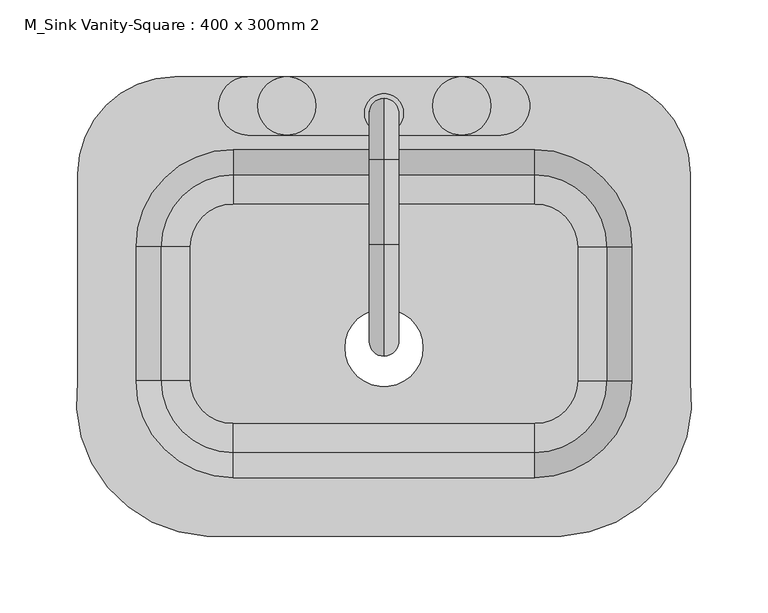
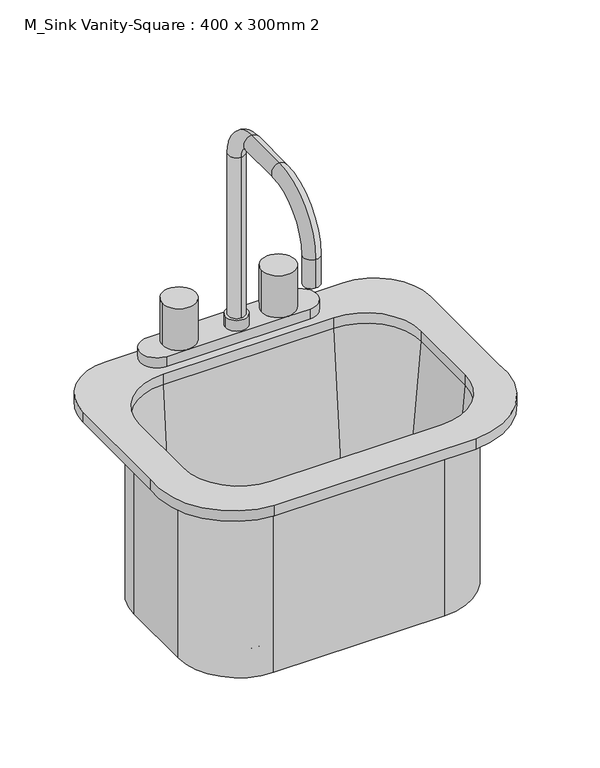
"""IFC4 building model written with IfcOpenShell, lengths in millimetres: flow terminal geometry, M_Sink Vanity-Square : 400 x 300mm 2."""

import ifcopenshell
import ifcopenshell.guid

model = None  # the IFC model being written
_history = None  # IfcOwnerHistory: only IFC2X3 demands one
_inside = {}  # id of a spatial element -> (the spatial element, [elements in it])
_under = {}  # id of a project, library or spatial element -> (it, [spatial elements below it])
_declared = {}  # id of a project -> (the project, [libraries it declares])
_typed = {}  # id of a type object -> (the type object, [elements of that type])
_made_of = {}  # id of a material, layer set ... -> (it, [elements and type objects made of it])


def new_model(schema):
    """Start an empty IFC model of exactly this schema.

    Asked for "IFC4X3", IfcOpenShell would pick the latest addendum, in which some entities
    have other attributes; the version numbers below select the first issue.
    IFC2X3 requires an IfcOwnerHistory on every rooted entity: one is made here for all.
    """
    global model, _history
    if schema == "IFC4X3":
        model = ifcopenshell.file(schema_version=(4, 3, 0, 0))
    else:
        model = ifcopenshell.file(schema=schema)
    _inside.clear()
    _under.clear()
    _declared.clear()
    _typed.clear()
    _made_of.clear()
    _history = None
    if model.schema == "IFC2X3":
        org = make("IfcOrganization", Name="unknown")
        user = make(
            "IfcPersonAndOrganization",
            ThePerson=make("IfcPerson", FamilyName="unknown"),
            TheOrganization=org,
        )
        app = make(
            "IfcApplication",
            ApplicationDeveloper=org,
            Version="unknown",
            ApplicationFullName="unknown",
            ApplicationIdentifier="unknown",
        )
        _history = make(
            "IfcOwnerHistory",
            OwningUser=user,
            OwningApplication=app,
            ChangeAction="ADDED",
            CreationDate=0,
        )
    return model


def make(cls, **values):
    """One entity of the class cls with the attributes given. An attribute that is None is left unset."""
    return model.create_entity(
        cls, **{name: value for name, value in values.items() if value is not None}
    )


def rooted(cls, **values):
    """An entity with a GlobalId (a new one), such as an element, a storey or a relation."""
    return make(cls, GlobalId=ifcopenshell.guid.new(), OwnerHistory=_history, **values)


def si_unit(unit_type, name, prefix=None):
    """IfcSIUnit, for example si_unit("LENGTHUNIT", "METRE", prefix="MILLI")."""
    return make("IfcSIUnit", UnitType=unit_type, Prefix=prefix, Name=name)


def assignment(units):
    """IfcUnitAssignment: the units of a project."""
    return None if units is None else make("IfcUnitAssignment", Units=units)


def point(xyz):
    """IfcCartesianPoint."""
    return None if xyz is None else make("IfcCartesianPoint", Coordinates=xyz)


def direction(xyz):
    """IfcDirection."""
    return None if xyz is None else make("IfcDirection", DirectionRatios=xyz)


def frame(location, z_axis=None, x_axis=None):
    """IfcAxis2Placement3D, a coordinate frame: its origin and axes. An axis left out is left unset."""
    return make(
        "IfcAxis2Placement3D",
        Location=point(location),
        Axis=direction(z_axis),
        RefDirection=direction(x_axis),
    )


def origin():
    """The frame at (0, 0, 0) with its axes left unset."""
    return frame((0.0, 0.0, 0.0))


def place(relative_to, where):
    """IfcLocalPlacement: puts the frame where relative to a parent placement (None: the world)."""
    return make(
        "IfcLocalPlacement", PlacementRelTo=relative_to, RelativePlacement=where
    )


def context(
    kind, dimensions, precision=None, world=None, true_north=None, identifier=None
):
    """IfcGeometricRepresentationContext, for example the 3D "Model" context."""
    return make(
        "IfcGeometricRepresentationContext",
        ContextIdentifier=identifier,
        ContextType=kind,
        CoordinateSpaceDimension=dimensions,
        Precision=precision,
        WorldCoordinateSystem=world,
        TrueNorth=true_north,
    )


def project(units=None, contexts=None):
    """IfcProject with its units and contexts."""
    return rooted(
        "IfcProject",
        Name="project",
        RepresentationContexts=contexts,
        UnitsInContext=assignment(units),
    )


def spatial(cls, under=None, at=None, **own):
    """A site, building, storey or space (cls), placed at a placement, below another one or the project."""
    s = rooted(cls, ObjectPlacement=at, **own)
    if under is not None:
        _under.setdefault(under.id(), (under, []))[1].append(s)
    return s


def polyline(points):
    """IfcPolyline through the points."""
    return make("IfcPolyline", Points=[point(p) for p in points])


def circle_curve(where, radius):
    """IfcCircle in the frame where."""
    return make("IfcCircle", Position=where, Radius=radius)


def ellipse_curve(where, semi_axis1, semi_axis2):
    """IfcEllipse in the frame where."""
    return make(
        "IfcEllipse", Position=where, SemiAxis1=semi_axis1, SemiAxis2=semi_axis2
    )


def trimmed(basis, trim1, trim2, sense, master):
    """IfcTrimmedCurve: the piece of a basis curve between two trims."""
    return make(
        "IfcTrimmedCurve",
        BasisCurve=basis,
        Trim1=trim1,
        Trim2=trim2,
        SenseAgreement=sense,
        MasterRepresentation=master,
    )


def shape(context_of_items, identifier, shape_type, items):
    """IfcShapeRepresentation: the items that make up one representation, for example the "Body"."""
    return make(
        "IfcShapeRepresentation",
        ContextOfItems=context_of_items,
        RepresentationIdentifier=identifier,
        RepresentationType=shape_type,
        Items=items,
    )


def source(mapping_origin, context_of_items, identifier, shape_type, items):
    """IfcRepresentationMap: a shape defined once, which mapped items show again and again."""
    return make(
        "IfcRepresentationMap",
        MappingOrigin=mapping_origin,
        MappedRepresentation=shape(context_of_items, identifier, shape_type, items),
    )


def transform(
    local_origin,
    x_axis=None,
    y_axis=None,
    z_axis=None,
    scale=None,
    scale2=None,
    scale3=None,
    uniform=True,
):
    """IfcCartesianTransformationOperator3D, or its non-uniform kind. x_axis, y_axis, z_axis: its Axis1, 2, 3."""
    if uniform:
        return make(
            "IfcCartesianTransformationOperator3D",
            Axis1=direction(x_axis),
            Axis2=direction(y_axis),
            LocalOrigin=point(local_origin),
            Scale=scale,
            Axis3=direction(z_axis),
        )
    return make(
        "IfcCartesianTransformationOperator3DnonUniform",
        Axis1=direction(x_axis),
        Axis2=direction(y_axis),
        LocalOrigin=point(local_origin),
        Scale=scale,
        Axis3=direction(z_axis),
        Scale2=scale2,
        Scale3=scale3,
    )


def mapped(mapping_source, mapping_target):
    """IfcMappedItem: shows the shape of a source again, moved by a transform."""
    return make(
        "IfcMappedItem", MappingSource=mapping_source, MappingTarget=mapping_target
    )


def made_of(thing, what):
    """Note that an element or type object is made of a material, layer set ...; save() writes the relation."""
    if what is not None:
        _made_of.setdefault(what.id(), (what, []))[1].append(thing)
    return thing


def element(
    cls,
    number,
    at=None,
    inside=None,
    cuts=None,
    type_object=None,
    material=None,
    context=None,
    identifier="Body",
    shape_type=None,
    held_by="IfcProductDefinitionShape",
    body=None,
    shapes=None,
    **own,
):
    """One element of the class cls, such as IfcWall. Its Tag is "e" and its number.

    at: its placement. inside: the storey or other place that contains it. cuts: it is an
    opening in that element (IfcRelVoidsElement). A single representation is given by context,
    identifier, shape_type and body (its items); several are given by shapes. held_by: the class
    of the entity that holds the representations. save() writes the other relations.
    """
    e = rooted(cls, Tag="e%d" % number, ObjectPlacement=at, **own)
    if body is not None:
        shapes = [shape(context, identifier, shape_type, body)]
    if shapes is not None:
        e.Representation = make(held_by, Representations=shapes)
    if inside is not None:
        _inside.setdefault(inside.id(), (inside, []))[1].append(e)
    if cuts is not None:
        rooted(
            "IfcRelVoidsElement", RelatingBuildingElement=cuts, RelatedOpeningElement=e
        )
    if type_object is not None:
        _typed.setdefault(type_object.id(), (type_object, []))[1].append(e)
    return made_of(e, material)


def aggregate(whole, parts):
    """IfcRelAggregates: a whole, such as a stair, and the parts it consists of."""
    return rooted("IfcRelAggregates", RelatingObject=whole, RelatedObjects=parts)


def save(model, path):
    """Write the relations noted so far, then the file.

    IfcRelAggregates (storeys below a building ...), IfcRelContainedInSpatialStructure (elements
    in a storey), IfcRelDefinesByType, IfcRelAssociatesMaterial and IfcRelDeclares: one each for
    every whole, place, type object, material and project.
    """
    for whole, parts in _under.values():
        aggregate(whole, parts)
    for where, things in _inside.values():
        rooted(
            "IfcRelContainedInSpatialStructure",
            RelatedElements=things,
            RelatingStructure=where,
        )
    for kind, things in _typed.values():
        rooted("IfcRelDefinesByType", RelatedObjects=things, RelatingType=kind)
    for what, things in _made_of.values():
        rooted("IfcRelAssociatesMaterial", RelatedObjects=things, RelatingMaterial=what)
    for by, libraries in _declared.values():
        rooted("IfcRelDeclares", RelatingContext=by, RelatedDefinitions=libraries)
    model.write(path)


def plane_surface(at):
    """IfcPlane: the flat surface through the origin of the frame at, square to its z axis."""
    return make("IfcPlane", Position=at)


def cylinder_surface(at, radius):
    """IfcCylindricalSurface: all points at the distance radius from the z axis of the frame at."""
    return make("IfcCylindricalSurface", Position=at, Radius=radius)


def revolved_surface(curve, axis_point, axis_direction):
    """IfcSurfaceOfRevolution: the curve turned about the line through axis_point along axis_direction."""
    return make(
        "IfcSurfaceOfRevolution",
        SweptCurve=make("IfcArbitraryOpenProfileDef", ProfileType="CURVE", Curve=curve),
        AxisPosition=make("IfcAxis1Placement", Location=point(axis_point), Axis=direction(axis_direction)),
    )


def advanced_brep(points, edges, surfaces, faces):
    """IfcAdvancedBrep: a solid bounded by faces that lie on surfaces and meet in shared edges.

    An edge is (start, end): straight between two places in points (the first is 0);
    or (start, end, curve); or (start, end, curve, False) where it runs against its curve.
    A face is (place in surfaces, loops), or (place, loops, False) where it looks against
    its surface's normal. A loop lists edges by number (the first is 1), with a minus sign
    where the edge is run from its end to its start. The first loop is the outer one.
    """
    corners = [point(p) for p in points]
    vertices = [make("IfcVertexPoint", VertexGeometry=c) for c in corners]
    made = []
    for start, end, *more in edges:
        made.append(
            make(
                "IfcEdgeCurve",
                EdgeStart=vertices[start],
                EdgeEnd=vertices[end],
                EdgeGeometry=more[0] if more else make("IfcPolyline", Points=[corners[start], corners[end]]),
                SameSense=more[1] if len(more) > 1 else True,
            )
        )
    hull = []
    for where, loops, *sense in faces:
        bounds = []
        for j, loop in enumerate(loops):
            ring = [make("IfcOrientedEdge", EdgeElement=made[abs(k) - 1], Orientation=k > 0) for k in loop]
            bounds.append(
                make(
                    "IfcFaceOuterBound" if j == 0 else "IfcFaceBound",
                    Bound=make("IfcEdgeLoop", EdgeList=ring),
                    Orientation=True,
                )
            )
        hull.append(make("IfcAdvancedFace", Bounds=bounds, FaceSurface=surfaces[where], SameSense=sense[0] if sense else True))
    return make("IfcAdvancedBrep", Outer=make("IfcClosedShell", CfsFaces=hull))


def m_sink_vanity_square_400_x_300mm_2_b52e3de2(model_context):
    return source(origin(), model_context, "Body", "AdvancedBrep", [
        advanced_brep(
        [(183.9392406, 69.0204011, 534.1), (114.0892406, 138.8704011, 534.1), (114.0892406, 138.8704011, 750.0), (183.9392406, 69.0204011, 750.0), (183.9392406, -18.2545989, 534.1), (114.0892406, -88.1045989, 534.1), (-82.7107594, -88.1045989, 534.1), (-152.5607594, -18.2545989, 534.1), (-152.5607594, 69.0204011, 534.1), (-82.7107594, 138.8704011, 534.1), (-9.7107594, 3.175, 534.1), (41.0892406, 3.175, 534.1), (142.0776588, 69.0204011, 543.625), (114.0892406, 97.0088193, 543.625), (-82.7107594, 97.0088193, 543.625), (-110.6991776, 69.0204011, 543.625), (-110.6991776, -18.2545989, 543.625), (-82.7107594, -46.2430171, 543.625), (114.0892406, -46.2430171, 543.625), (142.0776588, -18.2545989, 543.625), (-9.7107594, 3.175, 543.625), (41.0892406, 3.175, 543.625), (161.0551678, 69.0204011, 561.0146831), (114.0892406, 115.9863283, 561.0146831), (177.5892406, 69.0204011, 750.0), (114.0892406, 132.5204011, 750.0), (183.9392406, -18.2545989, 750.0), (161.0551678, -18.2545989, 561.0146831), (177.5892406, -18.2545989, 750.0), (114.0892406, -88.1045989, 750.0), (114.0892406, -65.2205261, 561.0146831), (114.0892406, -81.7545989, 750.0), (-82.7107594, -88.1045989, 750.0), (-82.7107594, -65.2205261, 561.0146831), (-82.7107594, -81.7545989, 750.0), (-152.5607594, -18.2545989, 750.0), (-129.6766866, -18.2545989, 561.0146831), (-146.2107594, -18.2545989, 750.0), (-152.5607594, 69.0204011, 750.0), (-129.6766866, 69.0204011, 561.0146831), (-146.2107594, 69.0204011, 750.0), (-82.7107594, 138.8704011, 750.0), (-82.7107594, 115.9863283, 561.0146831), (-82.7107594, 132.5204011, 750.0), (-99.9606923, -119.8545989, 762.7), (131.3391735, -119.8545989, 762.7), (215.6892406, -18.2545989, 762.7), (215.6892406, 116.6454011, 762.7), (152.1892406, 180.1454011, 762.7), (-120.8107593, 180.1454011, 762.7), (-184.3107593, 116.6454011, 762.7), (-184.3107593, -18.2545982, 762.7), (114.0892406, 132.5204011, 762.7), (177.5892406, 69.0204011, 762.7), (177.5892406, -18.2545989, 762.7), (114.0892406, -81.7545989, 762.7), (-82.7107594, -81.7545989, 762.7), (-146.2107594, -18.2545989, 762.7), (-146.2107594, 69.0204011, 762.7), (-82.7107594, 132.5204011, 762.7), (-99.9606923, -119.8545989, 750.0), (-184.3107593, -18.2545982, 750.0), (-184.3107593, 116.6454011, 750.0), (-120.8107593, 180.1454011, 750.0), (152.1892406, 180.1454011, 750.0), (215.6892406, 116.6454011, 750.0), (215.6892406, -18.2545989, 750.0), (131.3391735, -119.8545989, 750.0)],
        [
            (0, 1, circle_curve(frame((114.0892406, 69.0204011, 534.1), z_axis=(0.0, 0.0, 1.0), x_axis=(0.0, 1.0, 0.0)), 69.85)),
            (1, 2),
            (2, 3, circle_curve(frame((114.0892406, 69.0204011, 750.0), z_axis=(0.0, 0.0, -1.0), x_axis=(0.0, 1.0, 0.0)), 69.85)),
            (3, 0),
            (0, 4),
            (4, 5, circle_curve(frame((114.0892406, -18.2545989, 534.1), z_axis=(0.0, 0.0, -1.0), x_axis=(1.0, 0.0, 0.0)), 69.85)),
            (5, 6),
            (6, 7, circle_curve(frame((-82.7107594, -18.2545989, 534.1), z_axis=(0.0, 0.0, -1.0), x_axis=(0.0, -1.0, 0.0)), 69.85)),
            (7, 8),
            (8, 9, circle_curve(frame((-82.7107594, 69.0204011, 534.1), z_axis=(0.0, 0.0, -1.0), x_axis=(-1.0, 0.0, 0.0)), 69.85)),
            (9, 1),
            (10, 11, circle_curve(frame((15.6892406, 3.175, 534.1), z_axis=(0.0, 0.0, 1.0), x_axis=(1.0, 0.0, 0.0)), 25.4)),
            (11, 10, circle_curve(frame((15.6892406, 3.175, 534.1), z_axis=(0.0, 0.0, 1.0), x_axis=(1.0, 0.0, 0.0)), 25.4)),
            (12, 13, circle_curve(frame((114.0892406, 69.0204011, 543.625), z_axis=(0.0, 0.0, 1.0), x_axis=(0.0, 1.0, 0.0)), 27.9884182)),
            (13, 14),
            (14, 15, circle_curve(frame((-82.7107594, 69.0204011, 543.625), z_axis=(0.0, 0.0, 1.0), x_axis=(-1.0, 0.0, 0.0)), 27.9884182)),
            (15, 16),
            (16, 17, circle_curve(frame((-82.7107594, -18.2545989, 543.625), z_axis=(0.0, 0.0, 1.0), x_axis=(0.0, -1.0, 0.0)), 27.9884182)),
            (17, 18),
            (18, 19, circle_curve(frame((114.0892406, -18.2545989, 543.625), z_axis=(0.0, 0.0, 1.0), x_axis=(1.0, 0.0, 0.0)), 27.9884182)),
            (19, 12),
            (20, 21, circle_curve(frame((15.6892406, 3.175, 543.625), z_axis=(0.0, 0.0, -1.0), x_axis=(1.0, 0.0, 0.0)), 25.4)),
            (21, 20, circle_curve(frame((15.6892406, 3.175, 543.625), z_axis=(0.0, 0.0, -1.0), x_axis=(1.0, 0.0, 0.0)), 25.4)),
            (12, 22, circle_curve(frame((142.0776588, 69.0204011, 562.675), z_axis=(0.0, -1.0, 0.0), x_axis=(1.0, 0.0, 0.0)), 19.05)),
            (22, 23, circle_curve(frame((114.0892406, 69.0204011, 561.0146831), z_axis=(0.0, 0.0, 1.0), x_axis=(0.0, 1.0, 0.0)), 46.9659272)),
            (23, 13, circle_curve(frame((114.0892406, 97.0088193, 562.675), z_axis=(-1.0, 0.0, 0.0), x_axis=(0.0, 1.0, 0.0)), 19.05)),
            (22, 24),
            (24, 25, circle_curve(frame((114.0892406, 69.0204011, 750.0), z_axis=(0.0, 0.0, 1.0), x_axis=(0.0, 1.0, 0.0)), 63.5)),
            (25, 23),
            (3, 26),
            (26, 4),
            (19, 27, circle_curve(frame((142.0776588, -18.2545989, 562.675), z_axis=(0.0, -1.0, 0.0), x_axis=(1.0, 0.0, 0.0)), 19.05)),
            (27, 22),
            (27, 28),
            (28, 24),
            (26, 29, circle_curve(frame((114.0892406, -18.2545989, 750.0), z_axis=(0.0, 0.0, -1.0), x_axis=(1.0, 0.0, 0.0)), 69.85)),
            (29, 5),
            (18, 30, circle_curve(frame((114.0892406, -46.2430171, 562.675), z_axis=(-1.0, 0.0, 0.0), x_axis=(0.0, -1.0, 0.0)), 19.05)),
            (30, 27, circle_curve(frame((114.0892406, -18.2545989, 561.0146831), z_axis=(0.0, 0.0, 1.0), x_axis=(1.0, 0.0, 0.0)), 46.9659272)),
            (30, 31),
            (31, 28, circle_curve(frame((114.0892406, -18.2545989, 750.0), z_axis=(0.0, 0.0, 1.0), x_axis=(1.0, 0.0, 0.0)), 63.5)),
            (29, 32),
            (32, 6),
            (17, 33, circle_curve(frame((-82.7107594, -46.2430171, 562.675), z_axis=(-1.0, 0.0, 0.0), x_axis=(0.0, -1.0, 0.0)), 19.05)),
            (33, 30),
            (33, 34),
            (34, 31),
            (32, 35, circle_curve(frame((-82.7107594, -18.2545989, 750.0), z_axis=(0.0, 0.0, -1.0), x_axis=(0.0, -1.0, 0.0)), 69.85)),
            (35, 7),
            (16, 36, circle_curve(frame((-110.6991776, -18.2545989, 562.675), z_axis=(0.0, 1.0, 0.0), x_axis=(-1.0, 0.0, 0.0)), 19.05)),
            (36, 33, circle_curve(frame((-82.7107594, -18.2545989, 561.0146831), z_axis=(0.0, 0.0, 1.0), x_axis=(0.0, -1.0, 0.0)), 46.9659272)),
            (36, 37),
            (37, 34, circle_curve(frame((-82.7107594, -18.2545989, 750.0), z_axis=(0.0, 0.0, 1.0), x_axis=(0.0, -1.0, 0.0)), 63.5)),
            (35, 38),
            (38, 8),
            (15, 39, circle_curve(frame((-110.6991776, 69.0204011, 562.675), z_axis=(0.0, 1.0, 0.0), x_axis=(-1.0, 0.0, 0.0)), 19.05)),
            (39, 36),
            (39, 40),
            (40, 37),
            (38, 41, circle_curve(frame((-82.7107594, 69.0204011, 750.0), z_axis=(0.0, 0.0, -1.0), x_axis=(-1.0, 0.0, 0.0)), 69.85)),
            (41, 9),
            (14, 42, circle_curve(frame((-82.7107594, 97.0088193, 562.675), z_axis=(1.0, 0.0, 0.0), x_axis=(0.0, 1.0, 0.0)), 19.05)),
            (42, 39, circle_curve(frame((-82.7107594, 69.0204011, 561.0146831), z_axis=(0.0, 0.0, 1.0), x_axis=(-1.0, 0.0, 0.0)), 46.9659272)),
            (42, 43),
            (43, 40, circle_curve(frame((-82.7107594, 69.0204011, 750.0), z_axis=(0.0, 0.0, 1.0), x_axis=(-1.0, 0.0, 0.0)), 63.5)),
            (41, 2),
            (23, 42),
            (25, 43),
            (20, 10),
            (11, 21),
            (44, 45),
            (45, 46, circle_curve(frame((127.5319557, -30.8793432, 762.7), z_axis=(0.0, 0.0, 1.0), x_axis=(1.0, 0.0, 0.0)), 89.0566732)),
            (46, 47),
            (47, 48, circle_curve(frame((152.1892406, 116.6454011, 762.7), z_axis=(0.0, 0.0, 1.0), x_axis=(1.0, 0.0, 0.0)), 63.5)),
            (48, 49),
            (49, 50, circle_curve(frame((-120.8107593, 116.6454011, 762.7), z_axis=(0.0, 0.0, 1.0), x_axis=(1.0, 0.0, 0.0)), 63.5)),
            (50, 51),
            (51, 44, circle_curve(frame((-96.1534746, -30.8793432, 762.7), z_axis=(0.0, 0.0, 1.0), x_axis=(1.0, 0.0, 0.0)), 89.0566732)),
            (52, 53, circle_curve(frame((114.0892406, 69.0204011, 762.7), z_axis=(0.0, 0.0, -1.0), x_axis=(1.0, 0.0, 0.0)), 63.5)),
            (53, 54),
            (54, 55, circle_curve(frame((114.0892406, -18.2545989, 762.7), z_axis=(0.0, 0.0, -1.0), x_axis=(1.0, 0.0, 0.0)), 63.5)),
            (55, 56),
            (56, 57, circle_curve(frame((-82.7107594, -18.2545989, 762.7), z_axis=(0.0, 0.0, -1.0), x_axis=(1.0, 0.0, 0.0)), 63.5)),
            (57, 58),
            (58, 59, circle_curve(frame((-82.7107594, 69.0204011, 762.7), z_axis=(0.0, 0.0, -1.0), x_axis=(1.0, 0.0, 0.0)), 63.5)),
            (59, 52),
            (60, 61, circle_curve(frame((-96.1534746, -30.8793432, 750.0), z_axis=(0.0, 0.0, -1.0), x_axis=(1.0, 0.0, 0.0)), 89.0566732)),
            (61, 62),
            (62, 63, circle_curve(frame((-120.8107593, 116.6454011, 750.0), z_axis=(0.0, 0.0, -1.0), x_axis=(1.0, 0.0, 0.0)), 63.5)),
            (63, 64),
            (64, 65, circle_curve(frame((152.1892406, 116.6454011, 750.0), z_axis=(0.0, 0.0, -1.0), x_axis=(1.0, 0.0, 0.0)), 63.5)),
            (65, 66),
            (66, 67, circle_curve(frame((127.5319557, -30.8793432, 750.0), z_axis=(0.0, 0.0, -1.0), x_axis=(1.0, 0.0, 0.0)), 89.0566732)),
            (67, 60),
            (44, 60),
            (67, 45),
            (66, 46),
            (65, 47),
            (64, 48),
            (63, 49),
            (62, 50),
            (61, 51),
            (52, 25),
            (24, 53),
            (28, 54),
            (31, 55),
            (34, 56),
            (37, 57),
            (40, 58),
            (43, 59),
        ],
        [
            cylinder_surface(frame((114.0892406, 69.0204011, 0.0), z_axis=(0.0, 0.0, -1.0), x_axis=(0.0, 1.0, 0.0)), 69.85),
            plane_surface(frame((114.0892406, 69.0204011, 534.1), z_axis=(0.0, 0.0, -1.0), x_axis=(0.0, 1.0, 0.0))),
            plane_surface(frame((114.0892406, 69.0204011, 543.625), z_axis=(0.0, 0.0, 1.0), x_axis=(0.0, 1.0, 0.0))),
            revolved_surface(trimmed(ellipse_curve(frame((114.0892406, 97.0088193, 562.675), z_axis=(1.0, 0.0, 0.0), x_axis=(0.0, 1.0, 0.0)), 19.05, 19.05), [point((114.0892406, 97.0088193, 543.625))], [point((114.0892406, 115.9863283, 561.0146831))], True, "CARTESIAN"), (114.0892406, 69.0204011, 0.0), (0.0, 0.0, -1.0)),
            revolved_surface(polyline([(114.0892406, 115.9863283, 561.0146831), (114.0892406, 132.5204011, 750.0)]), (114.0892406, 69.0204011, 0.0), (0.0, 0.0, -1.0)),
            plane_surface(frame((183.9392406, 69.0204011, 750.0), z_axis=(1.0, 0.0, 0.0), x_axis=(0.0, -1.0, 0.0))),
            revolved_surface(polyline([(161.1276588, -18.254598900000005, 562.675), (161.1276588, 69.0204011, 562.675)]), (142.0776588, 69.0204011, 562.675), (0.0, -1.0, 0.0)),
            plane_surface(frame((161.0551678, 69.0204011, 561.0146831), z_axis=(-0.9961946980917442, 0.0, 0.0871557427476735), x_axis=(0.0, -1.0, 0.0))),
            cylinder_surface(frame((114.0892406, -18.2545989, 0.0), z_axis=(0.0, 0.0, -1.0), x_axis=(1.0, 0.0, 0.0)), 69.85),
            revolved_surface(trimmed(ellipse_curve(frame((142.0776588, -18.2545989, 562.675), z_axis=(0.0, -1.0, 0.0), x_axis=(1.0, 0.0, 0.0)), 19.05, 19.05), [point((142.0776588, -18.2545989, 543.625))], [point((161.0551678, -18.2545989, 561.0146831))], True, "CARTESIAN"), (114.0892406, -18.2545989, 0.0), (0.0, 0.0, -1.0)),
            revolved_surface(polyline([(161.0551678, -18.2545989, 561.0146831), (177.5892406, -18.2545989, 750.0)]), (114.0892406, -18.2545989, 0.0), (0.0, 0.0, -1.0)),
            plane_surface(frame((114.0892406, -88.1045989, 750.0), z_axis=(0.0, -1.0, 0.0), x_axis=(-1.0, 0.0, 0.0))),
            revolved_surface(polyline([(-82.71075940000001, -65.2930171, 562.675), (114.0892406, -65.2930171, 562.675)]), (114.0892406, -46.2430171, 562.675), (-1.0, 0.0, 0.0)),
            plane_surface(frame((114.0892406, -65.2205261, 561.0146831), z_axis=(0.0, 0.9961946980917442, 0.0871557427476735), x_axis=(-1.0, 0.0, 0.0))),
            cylinder_surface(frame((-82.7107594, -18.2545989, 0.0), z_axis=(0.0, 0.0, -1.0), x_axis=(0.0, -1.0, 0.0)), 69.85),
            revolved_surface(trimmed(ellipse_curve(frame((-82.7107594, -46.2430171, 562.675), z_axis=(-1.0, 0.0, 0.0), x_axis=(0.0, -1.0, 0.0)), 19.05, 19.05), [point((-82.7107594, -46.2430171, 543.625))], [point((-82.7107594, -65.2205261, 561.0146831))], True, "CARTESIAN"), (-82.7107594, -18.2545989, 0.0), (0.0, 0.0, -1.0)),
            revolved_surface(polyline([(-82.7107594, -65.2205261, 561.0146831), (-82.7107594, -81.7545989, 750.0)]), (-82.7107594, -18.2545989, 0.0), (0.0, 0.0, -1.0)),
            plane_surface(frame((-152.5607594, -18.2545989, 750.0), z_axis=(-1.0, 0.0, 0.0), x_axis=(0.0, 1.0, 0.0))),
            revolved_surface(polyline([(-129.7491776, 69.0204011, 562.675), (-129.7491776, -18.2545989, 562.675)]), (-110.6991776, -18.2545989, 562.675), (0.0, 1.0, 0.0)),
            plane_surface(frame((-129.6766866, -18.2545989, 561.0146831), z_axis=(0.9961946980917442, 0.0, 0.0871557427476735), x_axis=(0.0, 1.0, 0.0))),
            cylinder_surface(frame((-82.7107594, 69.0204011, 0.0), z_axis=(0.0, 0.0, -1.0), x_axis=(-1.0, 0.0, 0.0)), 69.85),
            revolved_surface(trimmed(ellipse_curve(frame((-110.6991776, 69.0204011, 562.675), z_axis=(0.0, 1.0, 0.0), x_axis=(-1.0, 0.0, 0.0)), 19.05, 19.05), [point((-110.6991776, 69.0204011, 543.625))], [point((-129.6766866, 69.0204011, 561.0146831))], True, "CARTESIAN"), (-82.7107594, 69.0204011, 0.0), (0.0, 0.0, -1.0)),
            revolved_surface(polyline([(-129.6766866, 69.0204011, 561.0146831), (-146.2107594, 69.0204011, 750.0)]), (-82.7107594, 69.0204011, 0.0), (0.0, 0.0, -1.0)),
            plane_surface(frame((-82.7107594, 138.8704011, 750.0), z_axis=(0.0, 1.0, 0.0), x_axis=(1.0, 0.0, 0.0))),
            revolved_surface(polyline([(114.08924060000001, 116.0588193, 562.675), (-82.7107594, 116.0588193, 562.675)]), (-82.7107594, 97.0088193, 562.675), (1.0, 0.0, 0.0)),
            plane_surface(frame((-82.7107594, 115.9863283, 561.0146831), z_axis=(0.0, -0.9961946980917442, 0.0871557427476735), x_axis=(1.0, 0.0, 0.0))),
            revolved_surface(polyline([(41.0892406, 3.175, 534.1), (41.0892406, 3.175, 543.625)]), (15.6892406, 3.175, 0.0), (0.0, 0.0, -1.0)),
            plane_surface(frame((131.3391735, -119.8545989, 762.7), z_axis=(0.0, 0.0, 1.0), x_axis=(1.0, 0.0, 0.0))),
            plane_surface(frame((131.3391735, -119.8545989, 750.0), z_axis=(0.0, 0.0, -1.0), x_axis=(-1.0, 0.0, 0.0))),
            plane_surface(frame((-99.9606923, -119.8545989, 762.7), z_axis=(0.0, -1.0, 0.0), x_axis=(0.0, 0.0, -1.0))),
            cylinder_surface(frame((127.5319557, -30.8793432, 750.0), z_axis=(0.0, 0.0, 1.0), x_axis=(1.0, 0.0, 0.0)), 89.0566732),
            plane_surface(frame((215.6892406, -18.2545989, 762.7), z_axis=(1.0, 0.0, 0.0), x_axis=(0.0, 0.0, -1.0))),
            cylinder_surface(frame((152.1892406, 116.6454011, 750.0), z_axis=(0.0, 0.0, 1.0), x_axis=(1.0, 0.0, 0.0)), 63.5),
            plane_surface(frame((152.1892406, 180.1454011, 762.7), z_axis=(0.0, 1.0, 0.0), x_axis=(0.0, 0.0, -1.0))),
            cylinder_surface(frame((-120.8107593, 116.6454011, 750.0), z_axis=(0.0, 0.0, 1.0), x_axis=(1.0, 0.0, 0.0)), 63.5),
            plane_surface(frame((-184.3107593, 116.6454011, 762.7), z_axis=(-1.0, 0.0, 0.0), x_axis=(0.0, 0.0, -1.0))),
            cylinder_surface(frame((-96.1534746, -30.8793432, 750.0), z_axis=(0.0, 0.0, 1.0), x_axis=(1.0, 0.0, 0.0)), 89.0566732),
            revolved_surface(polyline([(177.58924059999998, 69.0204011, 750.0), (177.58924059999998, 69.0204011, 762.7)]), (114.0892406, 69.0204011, 0.0), (0.0, 0.0, -1.0)),
            plane_surface(frame((177.5892406, 69.0204011, 762.7), z_axis=(-1.0, 0.0, 0.0), x_axis=(0.0, 0.0, -1.0))),
            revolved_surface(polyline([(177.58924059999998, -18.2545989, 750.0), (177.58924059999998, -18.2545989, 762.7)]), (114.0892406, -18.2545989, 0.0), (0.0, 0.0, -1.0)),
            plane_surface(frame((114.0892406, -81.7545989, 762.7), z_axis=(0.0, 1.0, 0.0), x_axis=(0.0, 0.0, -1.0))),
            revolved_surface(polyline([(-19.2107594, -18.2545989, 750.0), (-19.2107594, -18.2545989, 762.7)]), (-82.7107594, -18.2545989, 0.0), (0.0, 0.0, -1.0)),
            plane_surface(frame((-146.2107594, -18.2545989, 762.7), z_axis=(1.0, 0.0, 0.0), x_axis=(0.0, 0.0, -1.0))),
            revolved_surface(polyline([(-19.2107594, 69.0204011, 750.0), (-19.2107594, 69.0204011, 762.7)]), (-82.7107594, 69.0204011, 0.0), (0.0, 0.0, -1.0)),
            plane_surface(frame((-82.7107594, 132.5204011, 762.7), z_axis=(0.0, -1.0, 0.0), x_axis=(0.0, 0.0, -1.0))),
        ],
        [
            (0, [[1, 2, 3, 4]]),
            (1, [[-1, 5, 6, 7, 8, 9, 10, 11], [12, 13]]),
            (2, [[14, 15, 16, 17, 18, 19, 20, 21], [22, 23]]),
            (3, [[-14, 24, 25, 26]]),
            (4, [[-25, 27, 28, 29]]),
            (5, [[-4, 30, 31, -5]]),
            (6, [[-24, -21, 32, 33]]),
            (7, [[-27, -33, 34, 35]]),
            (8, [[-31, 36, 37, -6]]),
            (9, [[-32, -20, 38, 39]]),
            (10, [[-34, -39, 40, 41]]),
            (11, [[-37, 42, 43, -7]]),
            (12, [[-38, -19, 44, 45]]),
            (13, [[-40, -45, 46, 47]]),
            (14, [[-43, 48, 49, -8]]),
            (15, [[-44, -18, 50, 51]]),
            (16, [[-46, -51, 52, 53]]),
            (17, [[-49, 54, 55, -9]]),
            (18, [[-50, -17, 56, 57]]),
            (19, [[-52, -57, 58, 59]]),
            (20, [[-55, 60, 61, -10]]),
            (21, [[-56, -16, 62, 63]]),
            (22, [[-58, -63, 64, 65]]),
            (23, [[-2, -11, -61, 66]]),
            (24, [[-26, 67, -62, -15]]),
            (25, [[-29, 68, -64, -67]]),
            (26, [[-22, 69, -13, 70]]),
            (26, [[-23, -70, -12, -69]]),
            (27, [[71, 72, 73, 74, 75, 76, 77, 78], [79, 80, 81, 82, 83, 84, 85, 86]]),
            (28, [[87, 88, 89, 90, 91, 92, 93, 94], [-3, -66, -60, -54, -48, -42, -36, -30]]),
            (29, [[-71, 95, -94, 96]]),
            (30, [[-72, -96, -93, 97]]),
            (31, [[-73, -97, -92, 98]]),
            (32, [[-74, -98, -91, 99]]),
            (33, [[-75, -99, -90, 100]]),
            (34, [[-76, -100, -89, 101]]),
            (35, [[-77, -101, -88, 102]]),
            (36, [[-78, -102, -87, -95]]),
            (37, [[-79, 103, -28, 104]]),
            (38, [[-80, -104, -35, 105]]),
            (39, [[-81, -105, -41, 106]]),
            (40, [[-82, -106, -47, 107]]),
            (41, [[-83, -107, -53, 108]]),
            (42, [[-84, -108, -59, 109]]),
            (43, [[-85, -109, -65, 110]]),
            (44, [[-86, -110, -68, -103]]),
        ],
    ),
        advanced_brep(
        [(91.8892406, 180.1454011, 762.7), (91.8892406, 142.0454011, 762.7), (66.4892406, 142.0454011, 762.7), (-47.8107594, 142.0454011, 762.7), (-73.2107594, 142.0454011, 762.7), (-73.2107594, 180.1454011, 762.7), (-47.8107594, 180.1454011, 762.7), (66.4892406, 180.1454011, 762.7), (15.6892406, 165.8579011, 983.3625), (15.6892406, 146.8079011, 983.3625), (15.6892406, 146.8079011, 788.1), (15.6892406, 165.8579011, 788.1), (15.6892406, 126.1704011, 1023.05), (15.6892406, 126.1704011, 1004.0), (15.6892406, 70.6079011, 1023.05), (15.6892406, 70.6079011, 1004.0), (15.6892406, -2.4170989, 950.025), (15.6892406, 16.6329011, 950.025), (15.6892406, -2.4170989, 915.1), (15.6892406, 16.6329011, 915.1), (2.9892406, 156.3329011, 788.1), (28.3892406, 156.3329011, 788.1), (2.9892406, 156.3329011, 775.2), (28.3892406, 156.3329011, 775.2), (-73.2107594, 180.1454011, 775.2), (-73.2107594, 142.0454011, 775.2), (-47.8107594, 142.0454011, 775.2), (-66.8607594, 161.0954011, 775.2), (-47.8107594, 180.1454011, 775.2), (91.8892406, 142.0454011, 775.2), (91.8892406, 180.1454011, 775.2), (66.4892406, 180.1454011, 775.2), (85.5392406, 161.0954011, 775.2), (66.4892406, 142.0454011, 775.2), (-28.7607594, 161.0954011, 775.2), (47.4392406, 161.0954011, 775.2), (-66.8607594, 161.0954011, 826.2), (-28.7607594, 161.0954011, 826.2), (47.4392406, 161.0954011, 826.2), (85.5392406, 161.0954011, 826.2)],
        [
            (0, 1, circle_curve(frame((91.8892406, 161.0954011, 762.7), z_axis=(0.0, 0.0, -1.0), x_axis=(1.0, 0.0, 0.0)), 19.05)),
            (1, 2),
            (2, 3),
            (3, 4),
            (4, 5, circle_curve(frame((-73.2107594, 161.0954011, 762.7), z_axis=(0.0, 0.0, -1.0), x_axis=(1.0, 0.0, 0.0)), 19.05)),
            (5, 6),
            (6, 7),
            (7, 0),
            (8, 9, circle_curve(frame((15.6892406, 156.3329011, 983.3625), z_axis=(0.0, 0.0, -1.0), x_axis=(0.0, -1.0, 0.0)), 9.525)),
            (9, 10),
            (10, 11, circle_curve(frame((15.6892406, 156.3329011, 788.1), z_axis=(0.0, 0.0, 1.0), x_axis=(0.0, -1.0, 0.0)), 9.525)),
            (11, 8),
            (9, 8, circle_curve(frame((15.6892406, 156.3329011, 983.3625), z_axis=(0.0, 0.0, -1.0), x_axis=(0.0, -1.0, 0.0)), 9.525)),
            (11, 10, circle_curve(frame((15.6892406, 156.3329011, 788.1), z_axis=(0.0, 0.0, 1.0), x_axis=(0.0, -1.0, 0.0)), 9.525)),
            (8, 12, circle_curve(frame((15.6892406, 126.1704011, 983.3625), z_axis=(1.0, 0.0, 0.0), x_axis=(0.0, 1.0, 0.0)), 39.6875)),
            (12, 13, circle_curve(frame((15.6892406, 126.1704011, 1013.525), z_axis=(0.0, 1.0, 0.0), x_axis=(0.0, 0.0, -1.0)), 9.525)),
            (13, 9, circle_curve(frame((15.6892406, 126.1704011, 983.3625), z_axis=(-1.0, 0.0, 0.0), x_axis=(0.0, 1.0, 0.0)), 20.6375)),
            (13, 12, circle_curve(frame((15.6892406, 126.1704011, 1013.525), z_axis=(0.0, 1.0, 0.0), x_axis=(0.0, 0.0, -1.0)), 9.525)),
            (12, 14),
            (14, 15, circle_curve(frame((15.6892406, 70.6079011, 1013.525), z_axis=(0.0, 1.0, 0.0), x_axis=(0.0, 0.0, -1.0)), 9.525)),
            (15, 13),
            (15, 14, circle_curve(frame((15.6892406, 70.6079011, 1013.525), z_axis=(0.0, 1.0, 0.0), x_axis=(0.0, 0.0, -1.0)), 9.525)),
            (14, 16, circle_curve(frame((15.6892406, 70.6079011, 950.025), z_axis=(1.0, 0.0, 0.0), x_axis=(0.0, 0.0, 1.0)), 73.025)),
            (16, 17, circle_curve(frame((15.6892406, 7.1079011, 950.025), z_axis=(0.0, 0.0, 1.0), x_axis=(0.0, 1.0, 0.0)), 9.525)),
            (17, 15, circle_curve(frame((15.6892406, 70.6079011, 950.025), z_axis=(-1.0, 0.0, 0.0), x_axis=(0.0, 0.0, 1.0)), 53.975)),
            (17, 16, circle_curve(frame((15.6892406, 7.1079011, 950.025), z_axis=(0.0, 0.0, 1.0), x_axis=(0.0, 1.0, 0.0)), 9.525)),
            (18, 19, circle_curve(frame((15.6892406, 7.1079011, 915.1), z_axis=(0.0, 0.0, -1.0), x_axis=(0.0, 1.0, 0.0)), 9.525)),
            (19, 18, circle_curve(frame((15.6892406, 7.1079011, 915.1), z_axis=(0.0, 0.0, -1.0), x_axis=(0.0, 1.0, 0.0)), 9.525)),
            (16, 18),
            (19, 17),
            (20, 21, circle_curve(frame((15.6892406, 156.3329011, 788.1), z_axis=(0.0, 0.0, 1.0), x_axis=(1.0, 0.0, 0.0)), 12.7)),
            (21, 20, circle_curve(frame((15.6892406, 156.3329011, 788.1), z_axis=(0.0, 0.0, 1.0), x_axis=(1.0, 0.0, 0.0)), 12.7)),
            (20, 22),
            (22, 23, circle_curve(frame((15.6892406, 156.3329011, 775.2), z_axis=(0.0, 0.0, 1.0), x_axis=(1.0, 0.0, 0.0)), 12.7)),
            (23, 21),
            (23, 22, circle_curve(frame((15.6892406, 156.3329011, 775.2), z_axis=(0.0, 0.0, 1.0), x_axis=(1.0, 0.0, 0.0)), 12.7)),
            (24, 25, circle_curve(frame((-73.2107594, 161.0954011, 775.2), z_axis=(0.0, 0.0, 1.0), x_axis=(1.0, 0.0, 0.0)), 19.05)),
            (25, 26),
            (26, 27, circle_curve(frame((-47.8107594, 161.0954011, 775.2), z_axis=(0.0, 0.0, -1.0), x_axis=(1.0, 0.0, 0.0)), 19.05)),
            (27, 28, circle_curve(frame((-47.8107594, 161.0954011, 775.2), z_axis=(0.0, 0.0, -1.0), x_axis=(1.0, 0.0, 0.0)), 19.05)),
            (28, 24),
            (29, 30, circle_curve(frame((91.8892406, 161.0954011, 775.2), z_axis=(0.0, 0.0, 1.0), x_axis=(1.0, 0.0, 0.0)), 19.05)),
            (30, 31),
            (31, 32, circle_curve(frame((66.4892406, 161.0954011, 775.2), z_axis=(0.0, 0.0, -1.0), x_axis=(1.0, 0.0, 0.0)), 19.05)),
            (32, 33, circle_curve(frame((66.4892406, 161.0954011, 775.2), z_axis=(0.0, 0.0, -1.0), x_axis=(1.0, 0.0, 0.0)), 19.05)),
            (33, 29),
            (31, 28),
            (28, 34, circle_curve(frame((-47.8107594, 161.0954011, 775.2), z_axis=(0.0, 0.0, -1.0), x_axis=(1.0, 0.0, 0.0)), 19.05)),
            (34, 26, circle_curve(frame((-47.8107594, 161.0954011, 775.2), z_axis=(0.0, 0.0, -1.0), x_axis=(1.0, 0.0, 0.0)), 19.05)),
            (26, 33),
            (33, 35, circle_curve(frame((66.4892406, 161.0954011, 775.2), z_axis=(0.0, 0.0, -1.0), x_axis=(1.0, 0.0, 0.0)), 19.05)),
            (35, 31, circle_curve(frame((66.4892406, 161.0954011, 775.2), z_axis=(0.0, 0.0, -1.0), x_axis=(1.0, 0.0, 0.0)), 19.05)),
            (30, 0),
            (5, 24),
            (4, 25),
            (1, 29),
            (36, 37, circle_curve(frame((-47.8107594, 161.0954011, 826.2), z_axis=(0.0, 0.0, 1.0), x_axis=(1.0, 0.0, 0.0)), 19.05)),
            (37, 36, circle_curve(frame((-47.8107594, 161.0954011, 826.2), z_axis=(0.0, 0.0, 1.0), x_axis=(1.0, 0.0, 0.0)), 19.05)),
            (38, 39, circle_curve(frame((66.4892406, 161.0954011, 826.2), z_axis=(0.0, 0.0, 1.0), x_axis=(1.0, 0.0, 0.0)), 19.05)),
            (39, 38, circle_curve(frame((66.4892406, 161.0954011, 826.2), z_axis=(0.0, 0.0, 1.0), x_axis=(1.0, 0.0, 0.0)), 19.05)),
            (36, 27),
            (34, 37),
            (38, 35),
            (32, 39),
        ],
        [
            plane_surface(frame((15.6892406, 146.8079011, 762.7), z_axis=(0.0, 0.0, -1.0), x_axis=(1.0, 0.0, 0.0))),
            cylinder_surface(frame((15.6892406, 156.3329011, 762.7), z_axis=(0.0, 0.0, -1.0), x_axis=(0.0, -1.0, 0.0)), 9.525),
            revolved_surface(trimmed(ellipse_curve(frame((15.6892406, 156.3329011, 983.3625), z_axis=(0.0, 0.0, -1.0), x_axis=(0.0, -1.0, 0.0)), 9.525, 9.525), [point((15.6892406, 165.8579011, 983.3625))], [point((15.6892406, 146.8079011, 983.3625))], True, "CARTESIAN"), (15.6892406, 126.1704011, 983.3625), (1.0, 0.0, 0.0)),
            revolved_surface(trimmed(ellipse_curve(frame((15.6892406, 156.3329011, 983.3625), z_axis=(0.0, 0.0, -1.0), x_axis=(0.0, -1.0, 0.0)), 9.525, 9.525), [point((15.6892406, 146.8079011, 983.3625))], [point((15.6892406, 165.8579011, 983.3625))], True, "CARTESIAN"), (15.6892406, 126.1704011, 983.3625), (1.0, 0.0, 0.0)),
            cylinder_surface(frame((15.6892406, 126.1704011, 1013.525), z_axis=(0.0, 1.0, 0.0), x_axis=(0.0, 0.0, -1.0)), 9.525),
            revolved_surface(trimmed(ellipse_curve(frame((15.6892406, 70.6079011, 1013.525), z_axis=(0.0, 1.0, 0.0), x_axis=(0.0, 0.0, -1.0)), 9.525, 9.525), [point((15.6892406, 70.6079011, 1023.05))], [point((15.6892406, 70.6079011, 1004.0))], True, "CARTESIAN"), (15.6892406, 70.6079011, 950.025), (1.0, 0.0, 0.0)),
            revolved_surface(trimmed(ellipse_curve(frame((15.6892406, 70.6079011, 1013.525), z_axis=(0.0, 1.0, 0.0), x_axis=(0.0, 0.0, -1.0)), 9.525, 9.525), [point((15.6892406, 70.6079011, 1004.0))], [point((15.6892406, 70.6079011, 1023.05))], True, "CARTESIAN"), (15.6892406, 70.6079011, 950.025), (1.0, 0.0, 0.0)),
            plane_surface(frame((15.6892406, -2.4170989, 915.1), z_axis=(0.0, 0.0, -1.0), x_axis=(-1.0, 0.0, 0.0))),
            cylinder_surface(frame((15.6892406, 7.1079011, 950.025), z_axis=(0.0, 0.0, 1.0), x_axis=(0.0, 1.0, 0.0)), 9.525),
            plane_surface(frame((28.3892406, 156.3329011, 788.1), z_axis=(0.0, 0.0, 1.0), x_axis=(0.0, 1.0, 0.0))),
            cylinder_surface(frame((15.6892406, 156.3329011, 762.7), z_axis=(0.0, 0.0, 1.0), x_axis=(1.0, 0.0, 0.0)), 12.7),
            plane_surface(frame((-73.2107594, 180.1454011, 775.2), z_axis=(0.0, 0.0, 1.0), x_axis=(-1.0, 0.0, 0.0))),
            plane_surface(frame((91.8892406, 180.1454011, 775.2), z_axis=(0.0, 1.0, 0.0), x_axis=(0.0, 0.0, -1.0))),
            cylinder_surface(frame((-73.2107594, 161.0954011, 762.7), z_axis=(0.0, 0.0, 1.0), x_axis=(1.0, 0.0, 0.0)), 19.05),
            plane_surface(frame((-73.2107594, 142.0454011, 775.2), z_axis=(0.0, -1.0, 0.0), x_axis=(0.0, 0.0, -1.0))),
            cylinder_surface(frame((91.8892406, 161.0954011, 762.7), z_axis=(0.0, 0.0, 1.0), x_axis=(1.0, 0.0, 0.0)), 19.05),
            plane_surface(frame((-28.7607594, 161.0954011, 826.2), z_axis=(0.0, 0.0, 1.0), x_axis=(0.0, 1.0, 0.0))),
            cylinder_surface(frame((-47.8107594, 161.0954011, 762.7), z_axis=(0.0, 0.0, 1.0), x_axis=(1.0, 0.0, 0.0)), 19.05),
            cylinder_surface(frame((66.4892406, 161.0954011, 0.0), z_axis=(0.0, 0.0, 1.0), x_axis=(1.0, 0.0, 0.0)), 19.05),
        ],
        [
            (0, [[1, 2, 3, 4, 5, 6, 7, 8]]),
            (1, [[9, 10, 11, 12]]),
            (1, [[13, -12, 14, -10]]),
            (2, [[-9, 15, 16, 17]]),
            (3, [[-13, -17, 18, -15]]),
            (4, [[-16, 19, 20, 21]]),
            (4, [[-18, -21, 22, -19]]),
            (5, [[-20, 23, 24, 25]]),
            (6, [[-22, -25, 26, -23]]),
            (7, [[27, 28]]),
            (8, [[-24, 29, -28, 30]]),
            (8, [[-26, -30, -27, -29]]),
            (9, [[31, 32], [-11, -14]]),
            (10, [[-31, 33, 34, 35]]),
            (10, [[-32, -35, 36, -33]]),
            (11, [[37, 38, 39, 40, 41]]),
            (11, [[42, 43, 44, 45, 46]]),
            (11, [[47, 48, 49, 50, 51, 52], [-34, -36]]),
            (12, [[53, -8, -7, -6, 54, -41, -47, -43]]),
            (13, [[-37, -54, -5, 55]]),
            (14, [[-55, -4, -3, -2, 56, -46, -50, -38]]),
            (15, [[-42, -56, -1, -53]]),
            (16, [[57, 58]]),
            (16, [[59, 60]]),
            (17, [[-57, 61, -39, -49, 62]]),
            (17, [[-58, -62, -48, -40, -61]]),
            (18, [[-59, 63, -51, -45, 64]]),
            (18, [[-60, -64, -44, -52, -63]]),
        ],
    ),
    ])


if __name__ == "__main__":
    model = new_model("IFC4")
    model_context = context("Model", 3, world=origin())
    ifc_project = project(units=[si_unit("LENGTHUNIT", "METRE", prefix="MILLI")], contexts=[model_context])
    site = spatial("IfcSite", under=ifc_project)
    building = spatial("IfcBuilding", under=site)
    placement = place(None, origin())
    m_sink_vanity_square_400_x_300mm_2_shape = m_sink_vanity_square_400_x_300mm_2_b52e3de2(model_context)
    element("IfcFlowTerminal", 1, ObjectType="M_Sink Vanity-Square : 400 x 300mm 2", at=placement, inside=building, context=model_context, shape_type="MappedRepresentation", body=[
        mapped(m_sink_vanity_square_400_x_300mm_2_shape, transform((0.0, 0.0, 0.0), x_axis=(1.0, 0.0, 0.0), y_axis=(0.0, 1.0, 0.0), z_axis=(0.0, 0.0, 1.0))),
    ])
    save(model, "model.ifc")
